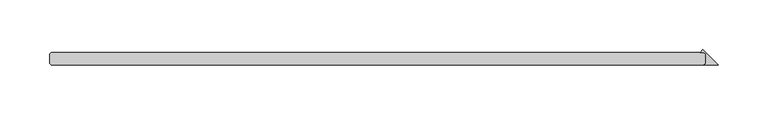
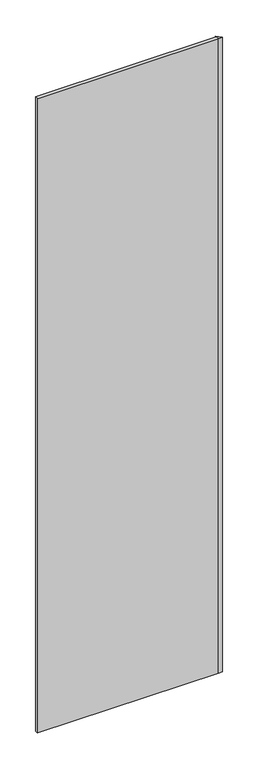
"""IFC4 building model written with IfcOpenShell, lengths in millimetres: plate geometry."""

from ifc_helpers import new_model, si_unit, origin, origin_with_axes, place, context, project, spatial, polyline, outline, extrude, source, transform, mapped, element, save


def plate_1355118a(model_context):
    return source(origin(), model_context, "Body", "SweptSolid", [
        extrude(outline(polyline([(340.915625, -34.925), (340.915625, -25.4), (339.328125, -23.8125), (335.495561, -23.8125), (338.205593, -21.102468), (353.615625, -36.5125), (339.328125, -36.5125), (340.915625, -34.925)])), origin_with_axes(), (0.0, 0.0, 1.0), 2428.7789267),
        extrude(outline(polyline([(339.328125, -36.5125), (-315.515625, -36.5125), (-317.103125, -34.925), (-317.103125, -25.4), (-315.515625, -23.8125), (339.328125, -23.8125), (340.915625, -25.4), (340.915625, -34.925), (339.328125, -36.5125)])), origin_with_axes(), (0.0, 0.0, 1.0), 2428.7789267),
    ])


if __name__ == "__main__":
    model = new_model("IFC4")
    model_context = context("Model", 3, world=origin())
    ifc_project = project(units=[si_unit("LENGTHUNIT", "METRE", prefix="MILLI")], contexts=[model_context])
    site = spatial("IfcSite", under=ifc_project)
    building = spatial("IfcBuilding", under=site)
    placement = place(None, origin())
    plate_shape = plate_1355118a(model_context)
    element("IfcPlate", 1, at=placement, inside=building, context=model_context, shape_type="MappedRepresentation", body=[
        mapped(plate_shape, transform((0.0, 0.0, 0.0), x_axis=(1.0, 0.0, 0.0), y_axis=(0.0, 1.0, 0.0), z_axis=(0.0, 0.0, 1.0))),
    ])
    save(model, "model.ifc")
